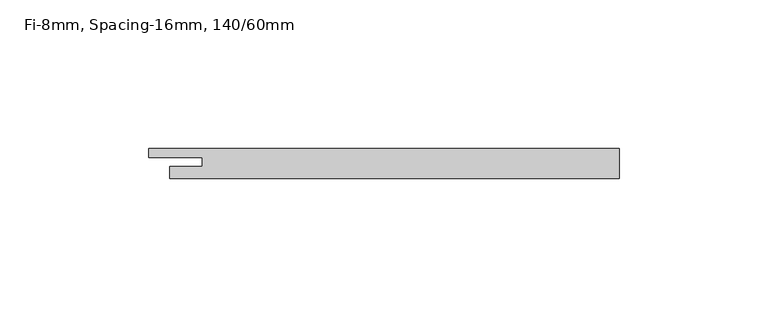
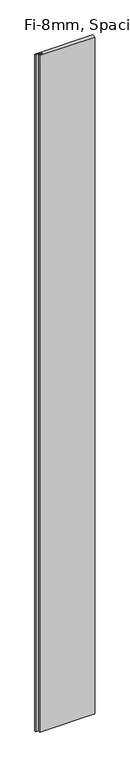
"""IFC4 building model written with IfcOpenShell, lengths in millimetres: plate geometry, Fi-8mm, Spacing-16mm, 140/60mm."""

import ifcopenshell
import ifcopenshell.guid

model = None  # the IFC model being written
_history = None  # IfcOwnerHistory: only IFC2X3 demands one
_inside = {}  # id of a spatial element -> (the spatial element, [elements in it])
_under = {}  # id of a project, library or spatial element -> (it, [spatial elements below it])
_declared = {}  # id of a project -> (the project, [libraries it declares])
_typed = {}  # id of a type object -> (the type object, [elements of that type])
_made_of = {}  # id of a material, layer set ... -> (it, [elements and type objects made of it])


def new_model(schema):
    """Start an empty IFC model of exactly this schema.

    Asked for "IFC4X3", IfcOpenShell would pick the latest addendum, in which some entities
    have other attributes; the version numbers below select the first issue.
    IFC2X3 requires an IfcOwnerHistory on every rooted entity: one is made here for all.
    """
    global model, _history
    if schema == "IFC4X3":
        model = ifcopenshell.file(schema_version=(4, 3, 0, 0))
    else:
        model = ifcopenshell.file(schema=schema)
    _inside.clear()
    _under.clear()
    _declared.clear()
    _typed.clear()
    _made_of.clear()
    _history = None
    if model.schema == "IFC2X3":
        org = make("IfcOrganization", Name="unknown")
        user = make(
            "IfcPersonAndOrganization",
            ThePerson=make("IfcPerson", FamilyName="unknown"),
            TheOrganization=org,
        )
        app = make(
            "IfcApplication",
            ApplicationDeveloper=org,
            Version="unknown",
            ApplicationFullName="unknown",
            ApplicationIdentifier="unknown",
        )
        _history = make(
            "IfcOwnerHistory",
            OwningUser=user,
            OwningApplication=app,
            ChangeAction="ADDED",
            CreationDate=0,
        )
    return model


def make(cls, **values):
    """One entity of the class cls with the attributes given. An attribute that is None is left unset."""
    return model.create_entity(
        cls, **{name: value for name, value in values.items() if value is not None}
    )


def rooted(cls, **values):
    """An entity with a GlobalId (a new one), such as an element, a storey or a relation."""
    return make(cls, GlobalId=ifcopenshell.guid.new(), OwnerHistory=_history, **values)


def si_unit(unit_type, name, prefix=None):
    """IfcSIUnit, for example si_unit("LENGTHUNIT", "METRE", prefix="MILLI")."""
    return make("IfcSIUnit", UnitType=unit_type, Prefix=prefix, Name=name)


def assignment(units):
    """IfcUnitAssignment: the units of a project."""
    return None if units is None else make("IfcUnitAssignment", Units=units)


def point(xyz):
    """IfcCartesianPoint."""
    return None if xyz is None else make("IfcCartesianPoint", Coordinates=xyz)


def direction(xyz):
    """IfcDirection."""
    return None if xyz is None else make("IfcDirection", DirectionRatios=xyz)


def frame(location, z_axis=None, x_axis=None):
    """IfcAxis2Placement3D, a coordinate frame: its origin and axes. An axis left out is left unset."""
    return make(
        "IfcAxis2Placement3D",
        Location=point(location),
        Axis=direction(z_axis),
        RefDirection=direction(x_axis),
    )


def origin():
    """The frame at (0, 0, 0) with its axes left unset."""
    return frame((0.0, 0.0, 0.0))


def origin_with_axes():
    """The frame at (0, 0, 0) with the z axis (0, 0, 1) and the x axis (1, 0, 0) written out."""
    return frame((0.0, 0.0, 0.0), z_axis=(0.0, 0.0, 1.0), x_axis=(1.0, 0.0, 0.0))


def place(relative_to, where):
    """IfcLocalPlacement: puts the frame where relative to a parent placement (None: the world)."""
    return make(
        "IfcLocalPlacement", PlacementRelTo=relative_to, RelativePlacement=where
    )


def context(
    kind, dimensions, precision=None, world=None, true_north=None, identifier=None
):
    """IfcGeometricRepresentationContext, for example the 3D "Model" context."""
    return make(
        "IfcGeometricRepresentationContext",
        ContextIdentifier=identifier,
        ContextType=kind,
        CoordinateSpaceDimension=dimensions,
        Precision=precision,
        WorldCoordinateSystem=world,
        TrueNorth=true_north,
    )


def project(units=None, contexts=None):
    """IfcProject with its units and contexts."""
    return rooted(
        "IfcProject",
        Name="project",
        RepresentationContexts=contexts,
        UnitsInContext=assignment(units),
    )


def spatial(cls, under=None, at=None, **own):
    """A site, building, storey or space (cls), placed at a placement, below another one or the project."""
    s = rooted(cls, ObjectPlacement=at, **own)
    if under is not None:
        _under.setdefault(under.id(), (under, []))[1].append(s)
    return s


def polyline(points):
    """IfcPolyline through the points."""
    return make("IfcPolyline", Points=[point(p) for p in points])


def outline(outer, holes=None, kind="AREA"):
    """IfcArbitraryClosedProfileDef: a profile drawn as a closed curve; with holes, ...WithVoids."""
    if holes is None:
        return make("IfcArbitraryClosedProfileDef", ProfileType=kind, OuterCurve=outer)
    return make(
        "IfcArbitraryProfileDefWithVoids",
        ProfileType=kind,
        OuterCurve=outer,
        InnerCurves=holes,
    )


def extrude(swept, where, along, depth):
    """IfcExtrudedAreaSolid: the profile swept, set in the frame where, extruded along a direction by depth."""
    return make(
        "IfcExtrudedAreaSolid",
        SweptArea=swept,
        Position=where,
        ExtrudedDirection=direction(along),
        Depth=depth,
    )


def shape(context_of_items, identifier, shape_type, items):
    """IfcShapeRepresentation: the items that make up one representation, for example the "Body"."""
    return make(
        "IfcShapeRepresentation",
        ContextOfItems=context_of_items,
        RepresentationIdentifier=identifier,
        RepresentationType=shape_type,
        Items=items,
    )


def source(mapping_origin, context_of_items, identifier, shape_type, items):
    """IfcRepresentationMap: a shape defined once, which mapped items show again and again."""
    return make(
        "IfcRepresentationMap",
        MappingOrigin=mapping_origin,
        MappedRepresentation=shape(context_of_items, identifier, shape_type, items),
    )


def transform(
    local_origin,
    x_axis=None,
    y_axis=None,
    z_axis=None,
    scale=None,
    scale2=None,
    scale3=None,
    uniform=True,
):
    """IfcCartesianTransformationOperator3D, or its non-uniform kind. x_axis, y_axis, z_axis: its Axis1, 2, 3."""
    if uniform:
        return make(
            "IfcCartesianTransformationOperator3D",
            Axis1=direction(x_axis),
            Axis2=direction(y_axis),
            LocalOrigin=point(local_origin),
            Scale=scale,
            Axis3=direction(z_axis),
        )
    return make(
        "IfcCartesianTransformationOperator3DnonUniform",
        Axis1=direction(x_axis),
        Axis2=direction(y_axis),
        LocalOrigin=point(local_origin),
        Scale=scale,
        Axis3=direction(z_axis),
        Scale2=scale2,
        Scale3=scale3,
    )


def mapped(mapping_source, mapping_target):
    """IfcMappedItem: shows the shape of a source again, moved by a transform."""
    return make(
        "IfcMappedItem", MappingSource=mapping_source, MappingTarget=mapping_target
    )


def made_of(thing, what):
    """Note that an element or type object is made of a material, layer set ...; save() writes the relation."""
    if what is not None:
        _made_of.setdefault(what.id(), (what, []))[1].append(thing)
    return thing


def element(
    cls,
    number,
    at=None,
    inside=None,
    cuts=None,
    type_object=None,
    material=None,
    context=None,
    identifier="Body",
    shape_type=None,
    held_by="IfcProductDefinitionShape",
    body=None,
    shapes=None,
    **own,
):
    """One element of the class cls, such as IfcWall. Its Tag is "e" and its number.

    at: its placement. inside: the storey or other place that contains it. cuts: it is an
    opening in that element (IfcRelVoidsElement). A single representation is given by context,
    identifier, shape_type and body (its items); several are given by shapes. held_by: the class
    of the entity that holds the representations. save() writes the other relations.
    """
    e = rooted(cls, Tag="e%d" % number, ObjectPlacement=at, **own)
    if body is not None:
        shapes = [shape(context, identifier, shape_type, body)]
    if shapes is not None:
        e.Representation = make(held_by, Representations=shapes)
    if inside is not None:
        _inside.setdefault(inside.id(), (inside, []))[1].append(e)
    if cuts is not None:
        rooted(
            "IfcRelVoidsElement", RelatingBuildingElement=cuts, RelatedOpeningElement=e
        )
    if type_object is not None:
        _typed.setdefault(type_object.id(), (type_object, []))[1].append(e)
    return made_of(e, material)


def aggregate(whole, parts):
    """IfcRelAggregates: a whole, such as a stair, and the parts it consists of."""
    return rooted("IfcRelAggregates", RelatingObject=whole, RelatedObjects=parts)


def save(model, path):
    """Write the relations noted so far, then the file.

    IfcRelAggregates (storeys below a building ...), IfcRelContainedInSpatialStructure (elements
    in a storey), IfcRelDefinesByType, IfcRelAssociatesMaterial and IfcRelDeclares: one each for
    every whole, place, type object, material and project.
    """
    for whole, parts in _under.values():
        aggregate(whole, parts)
    for where, things in _inside.values():
        rooted(
            "IfcRelContainedInSpatialStructure",
            RelatedElements=things,
            RelatingStructure=where,
        )
    for kind, things in _typed.values():
        rooted("IfcRelDefinesByType", RelatedObjects=things, RelatingType=kind)
    for what, things in _made_of.values():
        rooted("IfcRelAssociatesMaterial", RelatedObjects=things, RelatingMaterial=what)
    for by, libraries in _declared.values():
        rooted("IfcRelDeclares", RelatingContext=by, RelatedDefinitions=libraries)
    model.write(path)


def fi_8mm_spacing_16mm_140_60mm_31a7b2a6(model_context):
    return source(origin(), model_context, "Body", "SweptSolid", [
        extrude(outline(polyline([(75.5, -5.0), (-75.5, -5.0), (-75.5, -1.0), (-64.5, -1.0), (-64.5, 2.0), (-82.5, 2.0), (-82.5, 5.0), (75.5, 5.0), (75.5, -5.0)])), origin_with_axes(), (0.0, 0.0, 1.0), 1951.0),
    ])


if __name__ == "__main__":
    model = new_model("IFC4")
    model_context = context("Model", 3, world=origin())
    ifc_project = project(units=[si_unit("LENGTHUNIT", "METRE", prefix="MILLI")], contexts=[model_context])
    site = spatial("IfcSite", under=ifc_project)
    building = spatial("IfcBuilding", under=site)
    placement = place(None, origin())
    fi_8mm_spacing_16mm_140_60mm_shape = fi_8mm_spacing_16mm_140_60mm_31a7b2a6(model_context)
    element("IfcPlate", 1, ObjectType="Fi-8mm, Spacing-16mm, 140/60mm", at=placement, inside=building, context=model_context, shape_type="MappedRepresentation", body=[
        mapped(fi_8mm_spacing_16mm_140_60mm_shape, transform((0.0, 0.0, 0.0), x_axis=(1.0, 0.0, 0.0), y_axis=(0.0, 1.0, 0.0), z_axis=(0.0, 0.0, 1.0))),
    ])
    save(model, "model.ifc")
